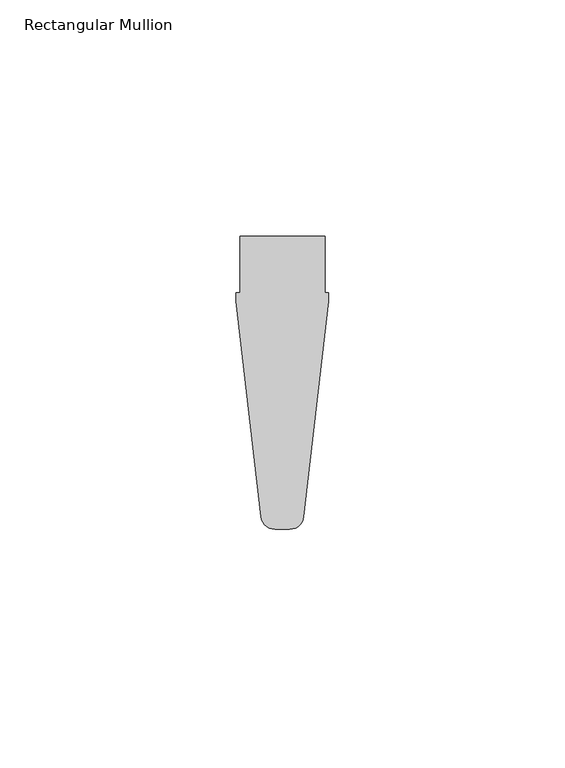
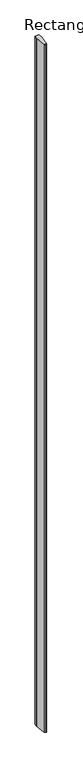
"""IFC4 building model written with IfcOpenShell, lengths in millimetres: member geometry, Rectangular Mullion."""

import ifcopenshell
import ifcopenshell.guid

model = None  # the IFC model being written
_history = None  # IfcOwnerHistory: only IFC2X3 demands one
_inside = {}  # id of a spatial element -> (the spatial element, [elements in it])
_under = {}  # id of a project, library or spatial element -> (it, [spatial elements below it])
_declared = {}  # id of a project -> (the project, [libraries it declares])
_typed = {}  # id of a type object -> (the type object, [elements of that type])
_made_of = {}  # id of a material, layer set ... -> (it, [elements and type objects made of it])


def new_model(schema):
    """Start an empty IFC model of exactly this schema.

    Asked for "IFC4X3", IfcOpenShell would pick the latest addendum, in which some entities
    have other attributes; the version numbers below select the first issue.
    IFC2X3 requires an IfcOwnerHistory on every rooted entity: one is made here for all.
    """
    global model, _history
    if schema == "IFC4X3":
        model = ifcopenshell.file(schema_version=(4, 3, 0, 0))
    else:
        model = ifcopenshell.file(schema=schema)
    _inside.clear()
    _under.clear()
    _declared.clear()
    _typed.clear()
    _made_of.clear()
    _history = None
    if model.schema == "IFC2X3":
        org = make("IfcOrganization", Name="unknown")
        user = make(
            "IfcPersonAndOrganization",
            ThePerson=make("IfcPerson", FamilyName="unknown"),
            TheOrganization=org,
        )
        app = make(
            "IfcApplication",
            ApplicationDeveloper=org,
            Version="unknown",
            ApplicationFullName="unknown",
            ApplicationIdentifier="unknown",
        )
        _history = make(
            "IfcOwnerHistory",
            OwningUser=user,
            OwningApplication=app,
            ChangeAction="ADDED",
            CreationDate=0,
        )
    return model


def make(cls, **values):
    """One entity of the class cls with the attributes given. An attribute that is None is left unset."""
    return model.create_entity(
        cls, **{name: value for name, value in values.items() if value is not None}
    )


def rooted(cls, **values):
    """An entity with a GlobalId (a new one), such as an element, a storey or a relation."""
    return make(cls, GlobalId=ifcopenshell.guid.new(), OwnerHistory=_history, **values)


def si_unit(unit_type, name, prefix=None):
    """IfcSIUnit, for example si_unit("LENGTHUNIT", "METRE", prefix="MILLI")."""
    return make("IfcSIUnit", UnitType=unit_type, Prefix=prefix, Name=name)


def assignment(units):
    """IfcUnitAssignment: the units of a project."""
    return None if units is None else make("IfcUnitAssignment", Units=units)


def point(xyz):
    """IfcCartesianPoint."""
    return None if xyz is None else make("IfcCartesianPoint", Coordinates=xyz)


def direction(xyz):
    """IfcDirection."""
    return None if xyz is None else make("IfcDirection", DirectionRatios=xyz)


def frame(location, z_axis=None, x_axis=None):
    """IfcAxis2Placement3D, a coordinate frame: its origin and axes. An axis left out is left unset."""
    return make(
        "IfcAxis2Placement3D",
        Location=point(location),
        Axis=direction(z_axis),
        RefDirection=direction(x_axis),
    )


def frame_2d(location, x_axis=None):
    """IfcAxis2Placement2D, a coordinate frame in the plane: its origin and x axis."""
    return make(
        "IfcAxis2Placement2D", Location=point(location), RefDirection=direction(x_axis)
    )


def origin():
    """The frame at (0, 0, 0) with its axes left unset."""
    return frame((0.0, 0.0, 0.0))


def place(relative_to, where):
    """IfcLocalPlacement: puts the frame where relative to a parent placement (None: the world)."""
    return make(
        "IfcLocalPlacement", PlacementRelTo=relative_to, RelativePlacement=where
    )


def context(
    kind, dimensions, precision=None, world=None, true_north=None, identifier=None
):
    """IfcGeometricRepresentationContext, for example the 3D "Model" context."""
    return make(
        "IfcGeometricRepresentationContext",
        ContextIdentifier=identifier,
        ContextType=kind,
        CoordinateSpaceDimension=dimensions,
        Precision=precision,
        WorldCoordinateSystem=world,
        TrueNorth=true_north,
    )


def project(units=None, contexts=None):
    """IfcProject with its units and contexts."""
    return rooted(
        "IfcProject",
        Name="project",
        RepresentationContexts=contexts,
        UnitsInContext=assignment(units),
    )


def spatial(cls, under=None, at=None, **own):
    """A site, building, storey or space (cls), placed at a placement, below another one or the project."""
    s = rooted(cls, ObjectPlacement=at, **own)
    if under is not None:
        _under.setdefault(under.id(), (under, []))[1].append(s)
    return s


def polyline(points):
    """IfcPolyline through the points."""
    return make("IfcPolyline", Points=[point(p) for p in points])


def circle_curve(where, radius):
    """IfcCircle in the frame where."""
    return make("IfcCircle", Position=where, Radius=radius)


def trimmed(basis, trim1, trim2, sense, master):
    """IfcTrimmedCurve: the piece of a basis curve between two trims."""
    return make(
        "IfcTrimmedCurve",
        BasisCurve=basis,
        Trim1=trim1,
        Trim2=trim2,
        SenseAgreement=sense,
        MasterRepresentation=master,
    )


def segment(curve, same_sense, transition):
    """IfcCompositeCurveSegment."""
    return make(
        "IfcCompositeCurveSegment",
        Transition=transition,
        SameSense=same_sense,
        ParentCurve=curve,
    )


def composite_curve(segments, self_intersect=None):
    """IfcCompositeCurve: segments joined end to end."""
    return make("IfcCompositeCurve", Segments=segments, SelfIntersect=self_intersect)


def outline(outer, holes=None, kind="AREA"):
    """IfcArbitraryClosedProfileDef: a profile drawn as a closed curve; with holes, ...WithVoids."""
    if holes is None:
        return make("IfcArbitraryClosedProfileDef", ProfileType=kind, OuterCurve=outer)
    return make(
        "IfcArbitraryProfileDefWithVoids",
        ProfileType=kind,
        OuterCurve=outer,
        InnerCurves=holes,
    )


def extrude(swept, where, along, depth):
    """IfcExtrudedAreaSolid: the profile swept, set in the frame where, extruded along a direction by depth."""
    return make(
        "IfcExtrudedAreaSolid",
        SweptArea=swept,
        Position=where,
        ExtrudedDirection=direction(along),
        Depth=depth,
    )


def shape(context_of_items, identifier, shape_type, items):
    """IfcShapeRepresentation: the items that make up one representation, for example the "Body"."""
    return make(
        "IfcShapeRepresentation",
        ContextOfItems=context_of_items,
        RepresentationIdentifier=identifier,
        RepresentationType=shape_type,
        Items=items,
    )


def source(mapping_origin, context_of_items, identifier, shape_type, items):
    """IfcRepresentationMap: a shape defined once, which mapped items show again and again."""
    return make(
        "IfcRepresentationMap",
        MappingOrigin=mapping_origin,
        MappedRepresentation=shape(context_of_items, identifier, shape_type, items),
    )


def transform(
    local_origin,
    x_axis=None,
    y_axis=None,
    z_axis=None,
    scale=None,
    scale2=None,
    scale3=None,
    uniform=True,
):
    """IfcCartesianTransformationOperator3D, or its non-uniform kind. x_axis, y_axis, z_axis: its Axis1, 2, 3."""
    if uniform:
        return make(
            "IfcCartesianTransformationOperator3D",
            Axis1=direction(x_axis),
            Axis2=direction(y_axis),
            LocalOrigin=point(local_origin),
            Scale=scale,
            Axis3=direction(z_axis),
        )
    return make(
        "IfcCartesianTransformationOperator3DnonUniform",
        Axis1=direction(x_axis),
        Axis2=direction(y_axis),
        LocalOrigin=point(local_origin),
        Scale=scale,
        Axis3=direction(z_axis),
        Scale2=scale2,
        Scale3=scale3,
    )


def mapped(mapping_source, mapping_target):
    """IfcMappedItem: shows the shape of a source again, moved by a transform."""
    return make(
        "IfcMappedItem", MappingSource=mapping_source, MappingTarget=mapping_target
    )


def made_of(thing, what):
    """Note that an element or type object is made of a material, layer set ...; save() writes the relation."""
    if what is not None:
        _made_of.setdefault(what.id(), (what, []))[1].append(thing)
    return thing


def element(
    cls,
    number,
    at=None,
    inside=None,
    cuts=None,
    type_object=None,
    material=None,
    context=None,
    identifier="Body",
    shape_type=None,
    held_by="IfcProductDefinitionShape",
    body=None,
    shapes=None,
    **own,
):
    """One element of the class cls, such as IfcWall. Its Tag is "e" and its number.

    at: its placement. inside: the storey or other place that contains it. cuts: it is an
    opening in that element (IfcRelVoidsElement). A single representation is given by context,
    identifier, shape_type and body (its items); several are given by shapes. held_by: the class
    of the entity that holds the representations. save() writes the other relations.
    """
    e = rooted(cls, Tag="e%d" % number, ObjectPlacement=at, **own)
    if body is not None:
        shapes = [shape(context, identifier, shape_type, body)]
    if shapes is not None:
        e.Representation = make(held_by, Representations=shapes)
    if inside is not None:
        _inside.setdefault(inside.id(), (inside, []))[1].append(e)
    if cuts is not None:
        rooted(
            "IfcRelVoidsElement", RelatingBuildingElement=cuts, RelatedOpeningElement=e
        )
    if type_object is not None:
        _typed.setdefault(type_object.id(), (type_object, []))[1].append(e)
    return made_of(e, material)


def aggregate(whole, parts):
    """IfcRelAggregates: a whole, such as a stair, and the parts it consists of."""
    return rooted("IfcRelAggregates", RelatingObject=whole, RelatedObjects=parts)


def save(model, path):
    """Write the relations noted so far, then the file.

    IfcRelAggregates (storeys below a building ...), IfcRelContainedInSpatialStructure (elements
    in a storey), IfcRelDefinesByType, IfcRelAssociatesMaterial and IfcRelDeclares: one each for
    every whole, place, type object, material and project.
    """
    for whole, parts in _under.values():
        aggregate(whole, parts)
    for where, things in _inside.values():
        rooted(
            "IfcRelContainedInSpatialStructure",
            RelatedElements=things,
            RelatingStructure=where,
        )
    for kind, things in _typed.values():
        rooted("IfcRelDefinesByType", RelatedObjects=things, RelatingType=kind)
    for what, things in _made_of.values():
        rooted("IfcRelAssociatesMaterial", RelatedObjects=things, RelatingMaterial=what)
    for by, libraries in _declared.values():
        rooted("IfcRelDeclares", RelatingContext=by, RelatedDefinitions=libraries)
    model.write(path)


def rectangular_mullion_288c63da(model_context):
    return source(origin(), model_context, "Body", "SweptSolid", [
        extrude(outline(composite_curve([segment(trimmed(circle_curve(frame_2d((-31.805027, -61.3)), 3.0), [point((-28.8250211, -61.6457813))], [point((-31.805027, -64.3))], False, "CARTESIAN"), True, "CONTINUOUS"), segment(polyline([(-31.805027, -64.3), (-34.860973, -64.3)]), True, "CONTINUOUS"), segment(trimmed(circle_curve(frame_2d((-34.860973, -61.3)), 3.0), [point((-34.860973, -64.3))], [point((-37.8409789, -61.6457813))], False, "CARTESIAN"), True, "CONTINUOUS"), segment(polyline([(-37.8409789, -61.6457813), (-43.133, -16.0381814), (-43.133, -14.3), (-42.333, -14.3), (-42.333, -2.3), (-24.333, -2.3), (-24.333, -14.3), (-23.533, -14.3), (-23.533, -16.0381814), (-28.8250211, -61.6457813)]), True, "CONTINUOUS")], self_intersect=False)), frame((0.0, 0.0, -3000.0), z_axis=(0.0, 0.0, 1.0), x_axis=(1.0, 0.0, 0.0)), (0.0, 0.0, 1.0), 3000.0),
    ])


if __name__ == "__main__":
    model = new_model("IFC4")
    model_context = context("Model", 3, world=origin())
    ifc_project = project(units=[si_unit("LENGTHUNIT", "METRE", prefix="MILLI")], contexts=[model_context])
    site = spatial("IfcSite", under=ifc_project)
    building = spatial("IfcBuilding", under=site)
    placement = place(None, origin())
    rectangular_mullion_shape = rectangular_mullion_288c63da(model_context)
    element("IfcMember", 1, ObjectType="Rectangular Mullion", at=placement, inside=building, context=model_context, shape_type="MappedRepresentation", body=[
        mapped(rectangular_mullion_shape, transform((0.0, 0.0, 0.0), x_axis=(1.0, 0.0, 0.0), y_axis=(0.0, 1.0, 0.0), z_axis=(0.0, 0.0, 1.0))),
    ])
    save(model, "model.ifc")
